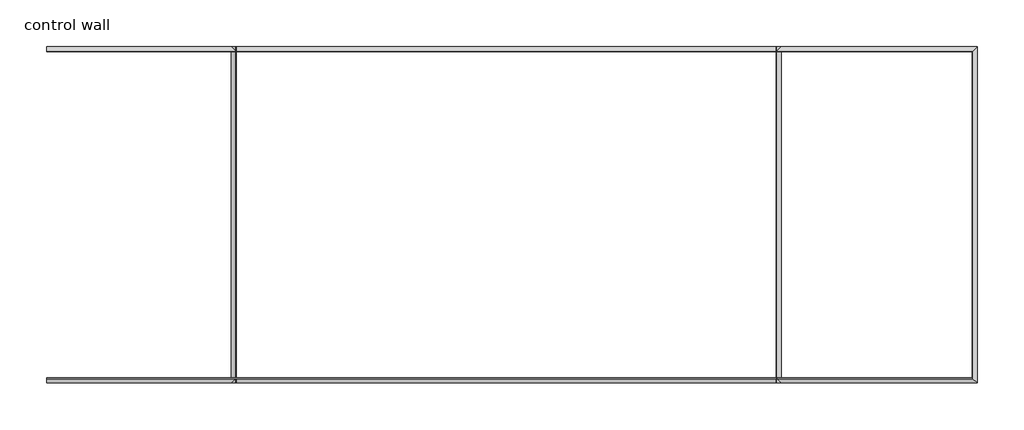
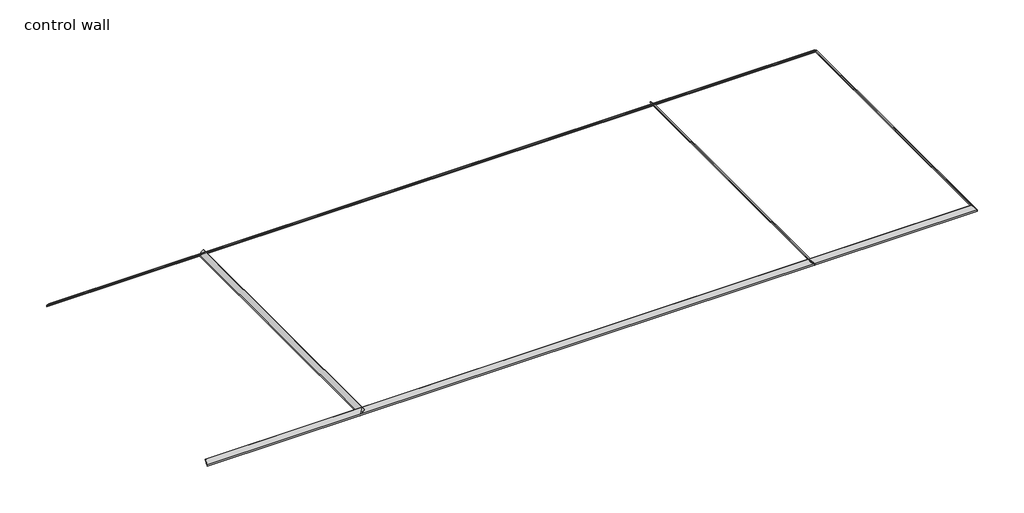
# One storey: 5 proxies.
"""IFC4 building model written with IfcOpenShell, lengths in millimetres."""

from ifc_helpers import new_model, si_unit, point, frame, frame_2d, origin, place, context, project, spatial, polyline, circle_curve, ellipse_curve, trimmed, segment, composite_curve, outline, extrude, element, save
from ifc_brep_helpers import plane_surface, cylinder_surface, revolved_surface, advanced_brep

model = new_model("IFC4")

# Units and contexts
model_context = context("Model", 3, world=origin())
ifc_project = project(units=[si_unit("LENGTHUNIT", "METRE", prefix="MILLI")], contexts=[model_context])

# Site, building, storey
site = spatial("IfcSite", under=ifc_project)
building = spatial("IfcBuilding", under=site)
storey = spatial("IfcBuildingStorey", under=building, Name="control wall", Elevation=2133.6)

# Proxies
placement = place(None, origin())
element("IfcBuildingElementProxy", 1, Name="Wall Sweeps", at=placement, inside=storey, context=model_context, shape_type="AdvancedBrep", body=[
    advanced_brep(
    [(28509.0881463, -12521.9830103, 2678.1793892), (28509.0881463, -12521.9830103, 2654.3), (28500.1078902, -12530.9632664, 2654.3), (28500.1078902, -12530.9632664, 2663.2802561), (28486.637506, -12544.4336506, 2676.7506403), (28486.637506, -12544.4336506, 2683.1006403), (28466.1128262, -12564.9583304, 2703.6253202), (28445.5881463, -12585.4830103, 2724.15), (28435.9648375, -12595.1063191, 2724.15), (28435.9648375, -12595.1063191, 2743.2), (28444.0675355, -12587.0036211, 2743.2), (28509.0881463, -17424.1830103, 2678.1793892), (28444.0675355, -17359.1623995, 2743.2), (28435.9648375, -17351.0597015, 2743.2), (28435.9648375, -17351.0597015, 2724.15), (28445.5881463, -17360.6830103, 2724.15), (28466.1128262, -17381.2076901, 2703.6253202), (28486.637506, -17401.73237, 2683.1006403), (28486.637506, -17401.73237, 2676.7506403), (28500.1078902, -17415.2027542, 2663.2802561), (28500.1078902, -17415.2027542, 2654.3), (28509.0881463, -17424.1830103, 2654.3)],
    [
        (0, 1),
        (1, 2),
        (2, 3),
        (3, 4, ellipse_curve(frame((28486.637506, -12544.4336506, 2663.2802561), z_axis=(0.707106781186544, -0.7071067811865511, 0.0), x_axis=(-0.7071067811865511, -0.7071067811865439, 0.0)), 19.05, 13.4703842)),
        (4, 5),
        (5, 6, ellipse_curve(frame((28486.637506, -12544.4336506, 2703.6253202), z_axis=(-0.707106781186544, 0.7071067811865511, 0.0), x_axis=(0.7071067811865511, 0.7071067811865439, 0.0)), 29.0262806, 20.5246798)),
        (6, 7, ellipse_curve(frame((28445.5881463, -12585.4830103, 2703.6253202), z_axis=(0.707106781186544, -0.7071067811865511, 0.0), x_axis=(-0.7071067811865511, -0.7071067811865439, 0.0)), 29.0262806, 20.5246798)),
        (7, 8),
        (8, 9),
        (9, 10),
        (10, 0),
        (11, 12),
        (12, 13),
        (13, 14),
        (14, 15),
        (15, 16, ellipse_curve(frame((28445.5881463, -17360.6830103, 2703.6253202), z_axis=(0.707106781186544, 0.7071067811865511, 0.0), x_axis=(0.7071067811865511, -0.7071067811865439, 0.0)), 29.0262806, 20.5246798)),
        (16, 17, ellipse_curve(frame((28486.637506, -17401.73237, 2703.6253202), z_axis=(-0.707106781186544, -0.7071067811865511, 0.0), x_axis=(-0.7071067811865511, 0.7071067811865439, 0.0)), 29.0262806, 20.5246798)),
        (17, 18),
        (18, 19, ellipse_curve(frame((28486.637506, -17401.73237, 2663.2802561), z_axis=(0.707106781186544, 0.7071067811865511, 0.0), x_axis=(0.7071067811865511, -0.7071067811865439, 0.0)), 19.05, 13.4703842)),
        (19, 20),
        (20, 21),
        (21, 11),
        (0, 11),
        (21, 1),
        (20, 2),
        (19, 3),
        (18, 4),
        (17, 5),
        (16, 6),
        (15, 7),
        (14, 8),
        (13, 9),
        (12, 10),
    ],
    [
        plane_surface(frame((28509.0881463, -12521.9830103, 2959.1), z_axis=(-0.707106781186544, 0.7071067811865511, 0.0), x_axis=(-0.7071067811865511, -0.707106781186544, 0.0))),
        plane_surface(frame((28509.0881463, -17424.1830103, 2959.1), z_axis=(-0.707106781186544, -0.7071067811865511, 0.0), x_axis=(-0.7071067811865511, 0.707106781186544, 0.0))),
        plane_surface(frame((28509.0881463, -12521.9830103, 2678.1793892), z_axis=(1.0, 0.0, 0.0), x_axis=(0.0, -1.0, 0.0))),
        plane_surface(frame((28509.0881463, -12521.9830103, 2654.3), z_axis=(0.0, 0.0, -1.0), x_axis=(0.0, -1.0, 0.0))),
        plane_surface(frame((28500.1078902, -12530.9632664, 2654.3), z_axis=(-1.0, 0.0, 0.0), x_axis=(0.0, -1.0, 0.0))),
        revolved_surface(polyline([(28473.167121799997, -17415.2027542, 2663.2802561), (28473.167121799997, -12530.9632664, 2663.2802561)]), (28486.637506, -12521.9830103, 2663.2802561), (0.0, -1.0, 0.0)),
        plane_surface(frame((28486.637506, -12544.4336506, 2676.7506403), z_axis=(-1.0, 0.0, 0.0), x_axis=(0.0, -1.0, 0.0))),
        cylinder_surface(frame((28486.637506, -12521.9830103, 2703.6253202), z_axis=(0.0, 1.0, 0.0), x_axis=(-1.0, 0.0, 0.0)), 20.5246798),
        revolved_surface(polyline([(28425.0634665, -17381.20769014488, 2703.6253202), (28425.0634665, -12564.9583304, 2703.6253202)]), (28445.5881463, -12521.9830103, 2703.6253202), (0.0, -1.0, 0.0)),
        plane_surface(frame((28445.5881463, -12585.4830103, 2724.15), z_axis=(0.0, 0.0, -1.0), x_axis=(0.0, -1.0, 0.0))),
        plane_surface(frame((28435.9648375, -12595.1063191, 2724.15), z_axis=(-1.0, 0.0, 0.0), x_axis=(0.0, -1.0, 0.0))),
        plane_surface(frame((28435.9648375, -12595.1063191, 2743.2), z_axis=(0.0, 0.0, 1.0), x_axis=(0.0, -1.0, 0.0))),
        plane_surface(frame((28444.0675355, -12587.0036211, 2743.2), z_axis=(0.707106781186547, 0.0, 0.707106781186548), x_axis=(0.0, -1.0, 0.0))),
    ],
    [
        (0, [[1, 2, 3, 4, 5, 6, 7, 8, 9, 10, 11]]),
        (1, [[12, 13, 14, 15, 16, 17, 18, 19, 20, 21, 22]]),
        (2, [[-1, 23, -22, 24]]),
        (3, [[-2, -24, -21, 25]]),
        (4, [[-3, -25, -20, 26]]),
        (5, [[-4, -26, -19, 27]]),
        (6, [[-5, -27, -18, 28]]),
        (7, [[-6, -28, -17, 29]]),
        (8, [[-7, -29, -16, 30]]),
        (9, [[-8, -30, -15, 31]]),
        (10, [[-9, -31, -14, 32]]),
        (11, [[-10, -32, -13, 33]]),
        (12, [[-11, -33, -12, -23]]),
    ],
),
])
element("IfcBuildingElementProxy", 2, Name="Wall Sweeps", at=placement, inside=storey, context=model_context, shape_type="AdvancedBrep", body=[
    advanced_brep(
    [(14964.5381463, -12521.9830103, 2678.1793892), (14964.5381463, -12521.9830103, 2654.3), (14964.5381463, -12530.9632664, 2654.3), (14964.5381463, -12530.9632664, 2663.2802561), (14964.5381463, -12544.4336506, 2676.7506403), (14964.5381463, -12544.4336506, 2683.1006403), (14964.5381463, -12564.9583304, 2703.6253202), (14964.5381463, -12585.4830103, 2724.15), (14964.5381463, -12595.1063191, 2724.15), (14964.5381463, -12595.1063191, 2743.2), (14964.5381463, -12587.0036211, 2743.2), (28509.0881463, -12521.9830103, 2678.1793892), (28444.0675355, -12587.0036211, 2743.2), (28435.9648375, -12595.1063191, 2743.2), (28435.9648375, -12595.1063191, 2724.15), (28445.5881463, -12585.4830103, 2724.15), (28466.1128262, -12564.9583304, 2703.6253202), (28486.637506, -12544.4336506, 2683.1006403), (28486.637506, -12544.4336506, 2676.7506403), (28500.1078902, -12530.9632664, 2663.2802561), (28500.1078902, -12530.9632664, 2654.3), (28509.0881463, -12521.9830103, 2654.3)],
    [
        (0, 1),
        (1, 2),
        (2, 3),
        (3, 4, circle_curve(frame((14964.5381463, -12544.4336506, 2663.2802561), z_axis=(1.0, 0.0, 0.0), x_axis=(0.0, -1.0, 0.0)), 13.4703842)),
        (4, 5),
        (5, 6, circle_curve(frame((14964.5381463, -12544.4336506, 2703.6253202), z_axis=(-1.0, 0.0, 0.0), x_axis=(0.0, -1.0, 0.0)), 20.5246798)),
        (6, 7, circle_curve(frame((14964.5381463, -12585.4830103, 2703.6253202), z_axis=(1.0, 0.0, 0.0), x_axis=(0.0, -1.0, 0.0)), 20.5246798)),
        (7, 8),
        (8, 9),
        (9, 10),
        (10, 0),
        (11, 12),
        (12, 13),
        (13, 14),
        (14, 15),
        (15, 16, ellipse_curve(frame((28445.5881463, -12585.4830103, 2703.6253202), z_axis=(-0.707106781186544, 0.7071067811865511, 0.0), x_axis=(0.707106781186551, 0.7071067811865441, 0.0)), 29.0262806, 20.5246798)),
        (16, 17, ellipse_curve(frame((28486.637506, -12544.4336506, 2703.6253202), z_axis=(0.707106781186544, -0.7071067811865511, 0.0), x_axis=(-0.707106781186551, -0.7071067811865441, 0.0)), 29.0262806, 20.5246798)),
        (17, 18),
        (18, 19, ellipse_curve(frame((28486.637506, -12544.4336506, 2663.2802561), z_axis=(-0.707106781186544, 0.7071067811865511, 0.0), x_axis=(0.707106781186551, 0.7071067811865441, 0.0)), 19.05, 13.4703842)),
        (19, 20),
        (20, 21),
        (21, 11),
        (0, 11),
        (21, 1),
        (20, 2),
        (19, 3),
        (18, 4),
        (17, 5),
        (16, 6),
        (15, 7),
        (14, 8),
        (13, 9),
        (12, 10),
    ],
    [
        plane_surface(frame((14964.5381463, -12521.9830103, 2539.190364), z_axis=(-1.0, 0.0, 0.0), x_axis=(0.0, 1.0, 0.0))),
        plane_surface(frame((28509.0881463, -12521.9830103, 2959.1), z_axis=(0.707106781186544, -0.7071067811865511, 0.0), x_axis=(-0.7071067811865511, -0.707106781186544, 0.0))),
        plane_surface(frame((14964.5381463, -12521.9830103, 2678.1793892), z_axis=(0.0, 1.0, 0.0), x_axis=(1.0, 0.0, 0.0))),
        plane_surface(frame((14964.5381463, -12521.9830103, 2654.3), z_axis=(0.0, 0.0, -1.0), x_axis=(1.0, 0.0, 0.0))),
        plane_surface(frame((14964.5381463, -12530.9632664, 2654.3), z_axis=(0.0, -1.0, 0.0), x_axis=(1.0, 0.0, 0.0))),
        revolved_surface(polyline([(28500.1078902, -12557.9040348, 2663.2802561), (14964.5381463, -12557.9040348, 2663.2802561)]), (14964.5381463, -12544.4336506, 2663.2802561), (1.0, 0.0, 0.0)),
        plane_surface(frame((14964.5381463, -12544.4336506, 2676.7506403), z_axis=(0.0, -1.0, 0.0), x_axis=(1.0, 0.0, 0.0))),
        cylinder_surface(frame((14964.5381463, -12544.4336506, 2703.6253202), z_axis=(-1.0, 0.0, 0.0), x_axis=(0.0, -1.0, 0.0)), 20.5246798),
        revolved_surface(polyline([(28466.1128262, -12606.007690100001, 2703.6253202), (14964.5381463, -12606.007690100001, 2703.6253202)]), (14964.5381463, -12585.4830103, 2703.6253202), (1.0, 0.0, 0.0)),
        plane_surface(frame((14964.5381463, -12585.4830103, 2724.15), z_axis=(0.0, 0.0, -1.0), x_axis=(1.0, 0.0, 0.0))),
        plane_surface(frame((14964.5381463, -12595.1063191, 2724.15), z_axis=(0.0, -1.0, 0.0), x_axis=(1.0, 0.0, 0.0))),
        plane_surface(frame((14964.5381463, -12595.1063191, 2743.2), z_axis=(0.0, 0.0, 1.0), x_axis=(1.0, 0.0, 0.0))),
        plane_surface(frame((14964.5381463, -12587.0036211, 2743.2), z_axis=(0.0, 0.707106781186547, 0.707106781186548), x_axis=(1.0, 0.0, 0.0))),
    ],
    [
        (0, [[1, 2, 3, 4, 5, 6, 7, 8, 9, 10, 11]]),
        (1, [[12, 13, 14, 15, 16, 17, 18, 19, 20, 21, 22]]),
        (2, [[-1, 23, -22, 24]]),
        (3, [[-2, -24, -21, 25]]),
        (4, [[-3, -25, -20, 26]]),
        (5, [[-4, -26, -19, 27]]),
        (6, [[-5, -27, -18, 28]]),
        (7, [[-6, -28, -17, 29]]),
        (8, [[-7, -29, -16, 30]]),
        (9, [[-8, -30, -15, 31]]),
        (10, [[-9, -31, -14, 32]]),
        (11, [[-10, -32, -13, 33]]),
        (12, [[-11, -33, -12, -23]]),
    ],
),
])
element("IfcBuildingElementProxy", 3, Name="Wall Sweeps", at=placement, inside=storey, context=model_context, shape_type="AdvancedBrep", body=[
    advanced_brep(
    [(28509.0881463, -17424.1830103, 2678.1793892), (28509.0881463, -17424.1830103, 2654.3), (28500.1078902, -17415.2027542, 2654.3), (28500.1078902, -17415.2027542, 2663.2802561), (28486.637506, -17401.73237, 2676.7506403), (28486.637506, -17401.73237, 2683.1006403), (28466.1128262, -17381.2076901, 2703.6253202), (28445.5881463, -17360.6830103, 2724.15), (28435.9648375, -17351.0597015, 2724.15), (28435.9648375, -17351.0597015, 2743.2), (28444.0675355, -17359.1623995, 2743.2), (14964.5381463, -17424.1830103, 2678.1793892), (14964.5381463, -17359.1623995, 2743.2), (14964.5381463, -17351.0597015, 2743.2), (14964.5381463, -17351.0597015, 2724.15), (14964.5381463, -17360.6830103, 2724.15), (14964.5381463, -17381.2076901, 2703.6253202), (14964.5381463, -17401.73237, 2683.1006403), (14964.5381463, -17401.73237, 2676.7506403), (14964.5381463, -17415.2027542, 2663.2802561), (14964.5381463, -17415.2027542, 2654.3), (14964.5381463, -17424.1830103, 2654.3)],
    [
        (0, 1),
        (1, 2),
        (2, 3),
        (3, 4, ellipse_curve(frame((28486.637506, -17401.73237, 2663.2802561), z_axis=(-0.707106781186544, -0.7071067811865511, 0.0), x_axis=(-0.707106781186551, 0.7071067811865441, 0.0)), 19.05, 13.4703842)),
        (4, 5),
        (5, 6, ellipse_curve(frame((28486.637506, -17401.73237, 2703.6253202), z_axis=(0.707106781186544, 0.7071067811865511, 0.0), x_axis=(0.707106781186551, -0.7071067811865441, 0.0)), 29.0262806, 20.5246798)),
        (6, 7, ellipse_curve(frame((28445.5881463, -17360.6830103, 2703.6253202), z_axis=(-0.707106781186544, -0.7071067811865511, 0.0), x_axis=(-0.707106781186551, 0.7071067811865441, 0.0)), 29.0262806, 20.5246798)),
        (7, 8),
        (8, 9),
        (9, 10),
        (10, 0),
        (11, 12),
        (12, 13),
        (13, 14),
        (14, 15),
        (15, 16, circle_curve(frame((14964.5381463, -17360.6830103, 2703.6253202), z_axis=(1.0, 0.0, 0.0), x_axis=(0.0, 1.0, 0.0)), 20.5246798)),
        (16, 17, circle_curve(frame((14964.5381463, -17401.73237, 2703.6253202), z_axis=(-1.0, 0.0, 0.0), x_axis=(0.0, 1.0, 0.0)), 20.5246798)),
        (17, 18),
        (18, 19, circle_curve(frame((14964.5381463, -17401.73237, 2663.2802561), z_axis=(1.0, 0.0, 0.0), x_axis=(0.0, 1.0, 0.0)), 13.4703842)),
        (19, 20),
        (20, 21),
        (21, 11),
        (0, 11),
        (21, 1),
        (20, 2),
        (19, 3),
        (18, 4),
        (17, 5),
        (16, 6),
        (15, 7),
        (14, 8),
        (13, 9),
        (12, 10),
    ],
    [
        plane_surface(frame((28509.0881463, -17424.1830103, 2959.1), z_axis=(0.707106781186544, 0.7071067811865511, 0.0), x_axis=(-0.7071067811865511, 0.707106781186544, 0.0))),
        plane_surface(frame((14964.5381463, -17424.1830103, 2539.190364), z_axis=(-1.0, 0.0, 0.0), x_axis=(0.0, -1.0, 0.0))),
        plane_surface(frame((28509.0881463, -17424.1830103, 2678.1793892), z_axis=(0.0, -1.0, 0.0), x_axis=(-1.0, 0.0, 0.0))),
        plane_surface(frame((28509.0881463, -17424.1830103, 2654.3), z_axis=(0.0, 0.0, -1.0), x_axis=(-1.0, 0.0, 0.0))),
        plane_surface(frame((28500.1078902, -17415.2027542, 2654.3), z_axis=(0.0, 1.0, 0.0), x_axis=(-1.0, 0.0, 0.0))),
        revolved_surface(polyline([(14964.5381463, -17388.2619858, 2663.2802561), (28500.1078902, -17388.2619858, 2663.2802561)]), (28509.0881463, -17401.73237, 2663.2802561), (-1.0, 0.0, 0.0)),
        plane_surface(frame((28486.637506, -17401.73237, 2676.7506403), z_axis=(0.0, 1.0, 0.0), x_axis=(-1.0, 0.0, 0.0))),
        cylinder_surface(frame((28509.0881463, -17401.73237, 2703.6253202), z_axis=(1.0, 0.0, 0.0), x_axis=(0.0, 1.0, 0.0)), 20.5246798),
        revolved_surface(polyline([(14964.5381463, -17340.1583305, 2703.6253202), (28466.1128262, -17340.1583305, 2703.6253202)]), (28509.0881463, -17360.6830103, 2703.6253202), (-1.0, 0.0, 0.0)),
        plane_surface(frame((28445.5881463, -17360.6830103, 2724.15), z_axis=(0.0, 0.0, -1.0), x_axis=(-1.0, 0.0, 0.0))),
        plane_surface(frame((28435.9648375, -17351.0597015, 2724.15), z_axis=(0.0, 1.0, 0.0), x_axis=(-1.0, 0.0, 0.0))),
        plane_surface(frame((28435.9648375, -17351.0597015, 2743.2), z_axis=(0.0, 0.0, 1.0), x_axis=(-1.0, 0.0, 0.0))),
        plane_surface(frame((28444.0675355, -17359.1623995, 2743.2), z_axis=(0.0, -0.707106781186547, 0.707106781186548), x_axis=(-1.0, 0.0, 0.0))),
    ],
    [
        (0, [[1, 2, 3, 4, 5, 6, 7, 8, 9, 10, 11]]),
        (1, [[12, 13, 14, 15, 16, 17, 18, 19, 20, 21, 22]]),
        (2, [[-1, 23, -22, 24]]),
        (3, [[-2, -24, -21, 25]]),
        (4, [[-3, -25, -20, 26]]),
        (5, [[-4, -26, -19, 27]]),
        (6, [[-5, -27, -18, 28]]),
        (7, [[-6, -28, -17, 29]]),
        (8, [[-7, -29, -16, 30]]),
        (9, [[-8, -30, -15, 31]]),
        (10, [[-9, -31, -14, 32]]),
        (11, [[-10, -32, -13, 33]]),
        (12, [[-11, -33, -12, -23]]),
    ],
),
])
element("IfcBuildingElementProxy", 4, Name="Wall Sweeps", at=placement, inside=storey, context=model_context, shape_type="SweptSolid", body=[
    extrude(outline(composite_curve([segment(polyline([(2678.1793892, 17653.7631463), (2654.3, 17653.7631463), (2654.3, 17662.7434025), (2663.2802561, 17662.7434025)]), True, "CONTINUOUS"), segment(trimmed(circle_curve(frame_2d((2663.2802561, 17676.2137866)), 13.4703842), [point((2663.2802561, 17662.7434025))], [point((2676.7506403, 17676.2137866))], True, "CARTESIAN"), True, "CONTINUOUS"), segment(polyline([(2676.7506403, 17676.2137866), (2683.1006403, 17676.2137866)]), True, "CONTINUOUS"), segment(trimmed(circle_curve(frame_2d((2703.6253202, 17676.2137866)), 20.5246798), [point((2683.1006403, 17676.2137866))], [point((2703.6253202, 17696.7384665))], False, "CARTESIAN"), True, "CONTINUOUS"), segment(trimmed(circle_curve(frame_2d((2703.6253202, 17717.2631463)), 20.5246798), [point((2703.6253202, 17696.7384665))], [point((2724.15, 17717.2631463))], True, "CARTESIAN"), True, "CONTINUOUS"), segment(polyline([(2724.15, 17717.2631463), (2724.15, 17726.8864551), (2743.2, 17726.8864551), (2743.2, 17718.7837572), (2678.1793892, 17653.7631463)]), True, "CONTINUOUS")], self_intersect=False)), frame((0.0, -17424.1830103, 0.0), z_axis=(0.0, 1.0, 0.0), x_axis=(0.0, 0.0, 1.0)), (0.0, 0.0, 1.0), 4902.2),
])
element("IfcBuildingElementProxy", 5, Name="Wall Sweeps", at=placement, inside=storey, context=model_context, shape_type="SweptSolid", body=[
    extrude(outline(composite_curve([segment(polyline([(2678.1793892, 25654.7631463), (2743.2, 25589.7425355), (2743.2, 25581.6398375), (2724.15, 25581.6398375), (2724.15, 25591.2631463)]), True, "CONTINUOUS"), segment(trimmed(circle_curve(frame_2d((2703.6253202, 25591.2631463)), 20.5246798), [point((2724.15, 25591.2631463))], [point((2703.6253202, 25611.7878262))], True, "CARTESIAN"), True, "CONTINUOUS"), segment(trimmed(circle_curve(frame_2d((2703.6253202, 25632.312506)), 20.5246798), [point((2703.6253202, 25611.7878262))], [point((2683.1006403, 25632.312506))], False, "CARTESIAN"), True, "CONTINUOUS"), segment(polyline([(2683.1006403, 25632.312506), (2676.7506403, 25632.312506)]), True, "CONTINUOUS"), segment(trimmed(circle_curve(frame_2d((2663.2802561, 25632.312506)), 13.4703842), [point((2676.7506403, 25632.312506))], [point((2663.2802561, 25645.7828902))], True, "CARTESIAN"), True, "CONTINUOUS"), segment(polyline([(2663.2802561, 25645.7828902), (2654.3, 25645.7828902), (2654.3, 25654.7631463), (2678.1793892, 25654.7631463)]), True, "CONTINUOUS")], self_intersect=False)), frame((0.0, -17424.1830103, 0.0), z_axis=(0.0, 1.0, 0.0), x_axis=(0.0, 0.0, 1.0)), (0.0, 0.0, 1.0), 4902.2),
])

save(model, "model.ifc")
